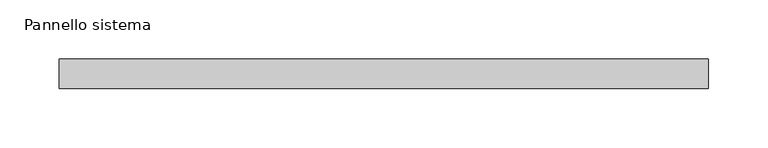
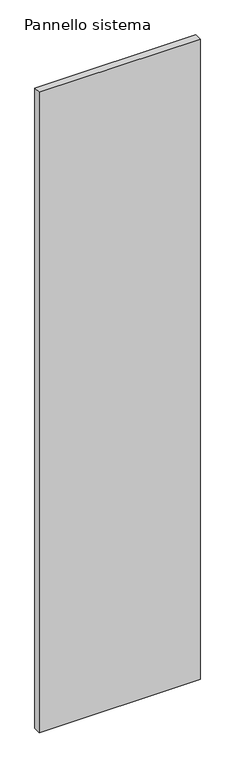
"""IFC4 building model written with IfcOpenShell, lengths in millimetres: plate geometry, Pannello sistema."""

from ifc_helpers import new_model, si_unit, origin, origin_with_axes, place, context, project, spatial, polyline, outline, extrude, source, transform, mapped, element, save


def pannello_sistema_87af35d5(model_context):
    return source(origin(), model_context, "Body", "SweptSolid", [
        extrude(outline(polyline([(275.0, -12.5), (-275.0, -12.5), (-275.0, 12.5), (275.0, 12.5), (275.0, -12.5)])), origin_with_axes(), (0.0, 0.0, 1.0), 2315.0),
    ])


if __name__ == "__main__":
    model = new_model("IFC4")
    model_context = context("Model", 3, world=origin())
    ifc_project = project(units=[si_unit("LENGTHUNIT", "METRE", prefix="MILLI")], contexts=[model_context])
    site = spatial("IfcSite", under=ifc_project)
    building = spatial("IfcBuilding", under=site)
    placement = place(None, origin())
    pannello_sistema_shape = pannello_sistema_87af35d5(model_context)
    element("IfcPlate", 1, ObjectType="Pannello sistema", at=placement, inside=building, context=model_context, shape_type="MappedRepresentation", body=[
        mapped(pannello_sistema_shape, transform((0.0, 0.0, 0.0), x_axis=(1.0, 0.0, 0.0), y_axis=(0.0, 1.0, 0.0), z_axis=(0.0, 0.0, 1.0))),
    ])
    save(model, "model.ifc")
